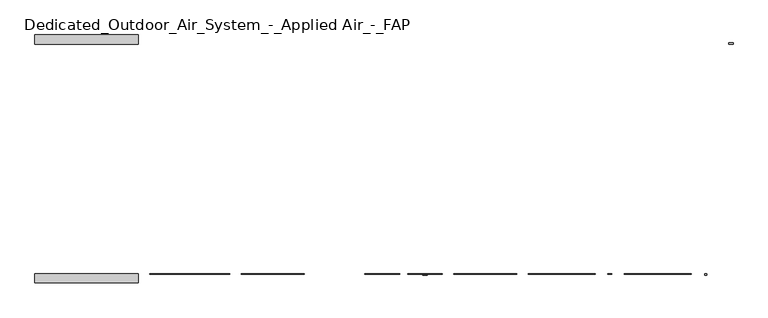
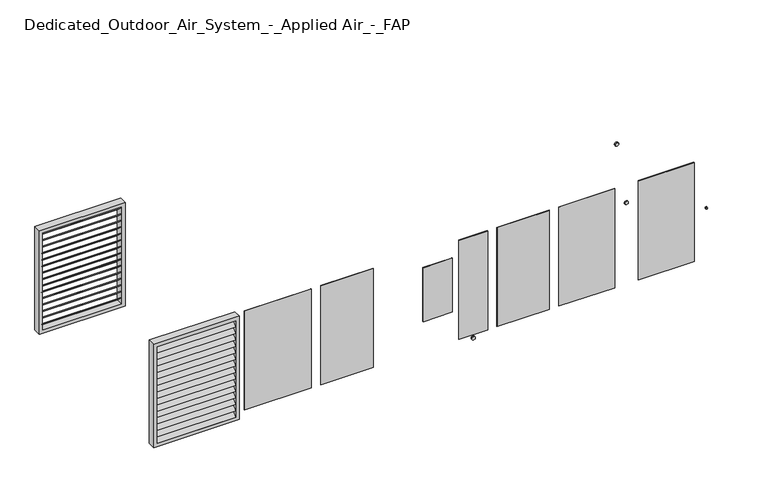
"""IFC4 building model written with IfcOpenShell, lengths in millimetres: proxy geometry, Dedicated_Outdoor_Air_System_-_Applied Air_-_FAP."""

from ifc_helpers import new_model, si_unit, point, frame, frame_2d, origin, place, context, project, spatial, polyline, circle_curve, trimmed, segment, composite_curve, outline, extrude, source, transform, mapped, element, save


def dedicated_outdoor_air_system_applied_air_fap_1c28814c(model_context):
    return source(origin(), model_context, "Body", "SweptSolid", [
        extrude(outline(polyline([(-1422.4, -1016.0), (-711.2, -1016.0), (-711.2, -1022.35), (-1422.4, -1022.35), (-1422.4, -1016.0)])), frame((0.0, 0.0, 76.2), z_axis=(0.0, 0.0, 1.0), x_axis=(1.0, 0.0, 0.0)), (0.0, 0.0, 1.0), 1117.6),
        extrude(outline(polyline([(-609.6, -1016.0), (-50.8, -1016.0), (-50.8, -1022.35), (-609.6, -1022.35), (-609.6, -1016.0)])), frame((0.0, 0.0, 76.2), z_axis=(0.0, 0.0, 1.0), x_axis=(1.0, 0.0, 0.0)), (0.0, 0.0, 1.0), 1117.6),
        extrude(outline(polyline([(1270.0, -1016.0), (1828.8, -1016.0), (1828.8, -1022.35), (1270.0, -1022.35), (1270.0, -1016.0)])), frame((0.0, 0.0, 76.2), z_axis=(0.0, 0.0, 1.0), x_axis=(1.0, 0.0, 0.0)), (0.0, 0.0, 1.0), 1117.6),
        extrude(outline(polyline([(863.6, -1016.0), (1168.4, -1016.0), (1168.4, -1022.35), (863.6, -1022.35), (863.6, -1016.0)])), frame((0.0, 0.0, 76.2), z_axis=(0.0, 0.0, 1.0), x_axis=(1.0, 0.0, 0.0)), (0.0, 0.0, 1.0), 1117.6),
        extrude(outline(polyline([(482.6, -1016.0), (793.75, -1016.0), (793.75, -1022.35), (482.6, -1022.35), (482.6, -1016.0)])), frame((0.0, 0.0, 406.4), z_axis=(0.0, 0.0, 1.0), x_axis=(1.0, 0.0, 0.0)), (0.0, 0.0, 1.0), 609.6),
        extrude(outline(polyline([(1930.4, -1016.0), (2525.4857143, -1016.0), (2525.4857143, -1022.35), (1930.4, -1022.35), (1930.4, -1016.0)])), frame((0.0, 0.0, 76.2), z_axis=(0.0, 0.0, 1.0), x_axis=(1.0, 0.0, 0.0)), (0.0, 0.0, 1.0), 1117.6),
        extrude(outline(polyline([(2779.4857143, -1016.0), (3374.5714286, -1016.0), (3374.5714286, -1022.35), (2779.4857143, -1022.35), (2779.4857143, -1016.0)])), frame((0.0, 0.0, 76.2), z_axis=(0.0, 0.0, 1.0), x_axis=(1.0, 0.0, 0.0)), (0.0, 0.0, 1.0), 1117.6),
        extrude(outline(composite_curve([segment(trimmed(circle_curve(frame_2d((990.6, 2652.4857143)), 19.05), [point((990.6, 2633.4357143))], [point((990.6, 2671.5357143))], False, "CARTESIAN"), True, "CONTINUOUS"), segment(trimmed(circle_curve(frame_2d((990.6, 2652.4857143)), 19.05), [point((990.6, 2671.5357143))], [point((990.6, 2633.4357143))], False, "CARTESIAN"), True, "CONTINUOUS")], self_intersect=False)), frame((0.0, -1022.35, 0.0), z_axis=(0.0, 1.0, 0.0), x_axis=(0.0, 0.0, 1.0)), (0.0, 0.0, 1.0), 6.35),
        extrude(outline(polyline([(1219.2, -1524.0), (1219.2, -2438.4), (50.8, -2438.4), (50.8, -1524.0), (1219.2, -1524.0)]), holes=[polyline([(1181.1, -1562.1), (88.9, -1562.1), (88.9, -2400.3), (1181.1, -2400.3), (1181.1, -1562.1)])]), frame((0.0, 1016.0, 0.0), z_axis=(0.0, 1.0, 0.0), x_axis=(0.0, 0.0, 1.0)), (0.0, 0.0, 1.0), 82.55),
        extrude(outline(polyline([(1219.2, -1524.0), (1219.2, -2438.4), (50.8, -2438.4), (50.8, -1524.0), (1219.2, -1524.0)]), holes=[polyline([(1181.1, -2400.3), (1181.1, -1562.1), (88.9, -1562.1), (88.9, -2400.3), (1181.1, -2400.3)])]), frame((0.0, -1098.55, 0.0), z_axis=(0.0, 1.0, 0.0), x_axis=(0.0, 0.0, 1.0)), (0.0, 0.0, 1.0), 82.55),
        extrude(outline(composite_curve([segment(trimmed(circle_curve(frame_2d((635.0, 3503.6125)), 9.525), [point((635.0, 3494.0875))], [point((635.0, 3513.1375))], False, "CARTESIAN"), True, "CONTINUOUS"), segment(trimmed(circle_curve(frame_2d((635.0, 3503.6125)), 9.525), [point((635.0, 3513.1375))], [point((635.0, 3494.0875))], False, "CARTESIAN"), True, "CONTINUOUS")], self_intersect=False)), frame((0.0, -1028.7, 0.0), z_axis=(0.0, 1.0, 0.0), x_axis=(0.0, 0.0, 1.0)), (0.0, 0.0, 1.0), 12.7),
        extrude(outline(polyline([(-1098.55, 1108.471875), (-1016.0, 1181.2984375), (-1016.0, 1172.8305341), (-1088.9515045, 1108.471875), (-1098.55, 1108.471875)])), frame((-2400.3, 0.0, 0.0), z_axis=(1.0, 0.0, 0.0), x_axis=(0.0, 1.0, 0.0)), (0.0, 0.0, 1.0), 838.2),
        extrude(outline(polyline([(-1098.55, 1035.6453125), (-1016.0, 1108.471875), (-1016.0, 1100.0039716), (-1088.9515045, 1035.6453125), (-1098.55, 1035.6453125)])), frame((-2400.3, 0.0, 0.0), z_axis=(1.0, 0.0, 0.0), x_axis=(0.0, 1.0, 0.0)), (0.0, 0.0, 1.0), 838.2),
        extrude(outline(polyline([(-1098.55, 962.81875), (-1016.0, 1035.6453125), (-1016.0, 1027.1774091), (-1088.9515045, 962.81875), (-1098.55, 962.81875)])), frame((-2400.3, 0.0, 0.0), z_axis=(1.0, 0.0, 0.0), x_axis=(0.0, 1.0, 0.0)), (0.0, 0.0, 1.0), 838.2),
        extrude(outline(polyline([(-1098.55, 889.9921875), (-1016.0, 962.81875), (-1016.0, 954.3508466), (-1088.9515045, 889.9921875), (-1098.55, 889.9921875)])), frame((-2400.3, 0.0, 0.0), z_axis=(1.0, 0.0, 0.0), x_axis=(0.0, 1.0, 0.0)), (0.0, 0.0, 1.0), 838.2),
        extrude(outline(polyline([(-1098.55, 817.165625), (-1016.0, 889.9921875), (-1016.0, 881.5242841), (-1088.9515045, 817.165625), (-1098.55, 817.165625)])), frame((-2400.3, 0.0, 0.0), z_axis=(1.0, 0.0, 0.0), x_axis=(0.0, 1.0, 0.0)), (0.0, 0.0, 1.0), 838.2),
        extrude(outline(polyline([(-1098.55, 744.3390625), (-1016.0, 817.165625), (-1016.0, 808.6977216), (-1088.9515045, 744.3390625), (-1098.55, 744.3390625)])), frame((-2400.3, 0.0, 0.0), z_axis=(1.0, 0.0, 0.0), x_axis=(0.0, 1.0, 0.0)), (0.0, 0.0, 1.0), 838.2),
        extrude(outline(polyline([(-1098.55, 671.5125), (-1016.0, 744.3390625), (-1016.0, 735.8711591), (-1088.9515045, 671.5125), (-1098.55, 671.5125)])), frame((-2400.3, 0.0, 0.0), z_axis=(1.0, 0.0, 0.0), x_axis=(0.0, 1.0, 0.0)), (0.0, 0.0, 1.0), 838.2),
        extrude(outline(polyline([(-1098.55, 598.6859375), (-1016.0, 671.5125), (-1016.0, 663.0445966), (-1088.9515045, 598.6859375), (-1098.55, 598.6859375)])), frame((-2400.3, 0.0, 0.0), z_axis=(1.0, 0.0, 0.0), x_axis=(0.0, 1.0, 0.0)), (0.0, 0.0, 1.0), 838.2),
        extrude(outline(polyline([(-1098.55, 525.859375), (-1016.0, 598.6859375), (-1016.0, 590.2180341), (-1088.9515045, 525.859375), (-1098.55, 525.859375)])), frame((-2400.3, 0.0, 0.0), z_axis=(1.0, 0.0, 0.0), x_axis=(0.0, 1.0, 0.0)), (0.0, 0.0, 1.0), 838.2),
        extrude(outline(polyline([(-1098.55, 453.0328125), (-1016.0, 525.859375), (-1016.0, 517.3914716), (-1088.9515045, 453.0328125), (-1098.55, 453.0328125)])), frame((-2400.3, 0.0, 0.0), z_axis=(1.0, 0.0, 0.0), x_axis=(0.0, 1.0, 0.0)), (0.0, 0.0, 1.0), 838.2),
        extrude(outline(polyline([(-1098.55, 380.20625), (-1016.0, 453.0328125), (-1016.0, 444.5649091), (-1088.9515045, 380.20625), (-1098.55, 380.20625)])), frame((-2400.3, 0.0, 0.0), z_axis=(1.0, 0.0, 0.0), x_axis=(0.0, 1.0, 0.0)), (0.0, 0.0, 1.0), 838.2),
        extrude(outline(polyline([(-1098.55, 307.3796875), (-1016.0, 380.20625), (-1016.0, 371.7383466), (-1088.9515045, 307.3796875), (-1098.55, 307.3796875)])), frame((-2400.3, 0.0, 0.0), z_axis=(1.0, 0.0, 0.0), x_axis=(0.0, 1.0, 0.0)), (0.0, 0.0, 1.0), 838.2),
        extrude(outline(polyline([(-1098.55, 234.553125), (-1016.0, 307.3796875), (-1016.0, 298.9117841), (-1088.9515045, 234.553125), (-1098.55, 234.553125)])), frame((-2400.3, 0.0, 0.0), z_axis=(1.0, 0.0, 0.0), x_axis=(0.0, 1.0, 0.0)), (0.0, 0.0, 1.0), 838.2),
        extrude(outline(polyline([(-1098.55, 161.7265625), (-1016.0, 234.553125), (-1016.0, 226.0852216), (-1088.9515045, 161.7265625), (-1098.55, 161.7265625)])), frame((-2400.3, 0.0, 0.0), z_axis=(1.0, 0.0, 0.0), x_axis=(0.0, 1.0, 0.0)), (0.0, 0.0, 1.0), 838.2),
        extrude(outline(polyline([(-1098.55, 88.9), (-1016.0, 161.7265625), (-1016.0, 153.2586591), (-1088.9515045, 88.9), (-1098.55, 88.9)])), frame((-2400.3, 0.0, 0.0), z_axis=(1.0, 0.0, 0.0), x_axis=(0.0, 1.0, 0.0)), (0.0, 0.0, 1.0), 838.2),
        extrude(outline(polyline([(1098.55, 1108.471875), (1088.9515045, 1108.471875), (1016.0, 1172.8305341), (1016.0, 1181.2984375), (1098.55, 1108.471875)])), frame((-2400.3, 0.0, 0.0), z_axis=(1.0, 0.0, 0.0), x_axis=(0.0, 1.0, 0.0)), (0.0, 0.0, 1.0), 838.2),
        extrude(outline(polyline([(1098.55, 1035.6453125), (1088.9515045, 1035.6453125), (1016.0, 1100.0039716), (1016.0, 1108.471875), (1098.55, 1035.6453125)])), frame((-2400.3, 0.0, 0.0), z_axis=(1.0, 0.0, 0.0), x_axis=(0.0, 1.0, 0.0)), (0.0, 0.0, 1.0), 838.2),
        extrude(outline(polyline([(1098.55, 962.81875), (1088.9515045, 962.81875), (1016.0, 1027.1774091), (1016.0, 1035.6453125), (1098.55, 962.81875)])), frame((-2400.3, 0.0, 0.0), z_axis=(1.0, 0.0, 0.0), x_axis=(0.0, 1.0, 0.0)), (0.0, 0.0, 1.0), 838.2),
        extrude(outline(polyline([(1098.55, 889.9921875), (1088.9515045, 889.9921875), (1016.0, 954.3508466), (1016.0, 962.81875), (1098.55, 889.9921875)])), frame((-2400.3, 0.0, 0.0), z_axis=(1.0, 0.0, 0.0), x_axis=(0.0, 1.0, 0.0)), (0.0, 0.0, 1.0), 838.2),
        extrude(outline(polyline([(1098.55, 817.165625), (1088.9515045, 817.165625), (1016.0, 881.5242841), (1016.0, 889.9921875), (1098.55, 817.165625)])), frame((-2400.3, 0.0, 0.0), z_axis=(1.0, 0.0, 0.0), x_axis=(0.0, 1.0, 0.0)), (0.0, 0.0, 1.0), 838.2),
        extrude(outline(polyline([(1098.55, 744.3390625), (1088.9515045, 744.3390625), (1016.0, 808.6977216), (1016.0, 817.165625), (1098.55, 744.3390625)])), frame((-2400.3, 0.0, 0.0), z_axis=(1.0, 0.0, 0.0), x_axis=(0.0, 1.0, 0.0)), (0.0, 0.0, 1.0), 838.2),
        extrude(outline(polyline([(1098.55, 671.5125), (1088.9515045, 671.5125), (1016.0, 735.8711591), (1016.0, 744.3390625), (1098.55, 671.5125)])), frame((-2400.3, 0.0, 0.0), z_axis=(1.0, 0.0, 0.0), x_axis=(0.0, 1.0, 0.0)), (0.0, 0.0, 1.0), 838.2),
        extrude(outline(polyline([(1098.55, 598.6859375), (1088.9515045, 598.6859375), (1016.0, 663.0445966), (1016.0, 671.5125), (1098.55, 598.6859375)])), frame((-2400.3, 0.0, 0.0), z_axis=(1.0, 0.0, 0.0), x_axis=(0.0, 1.0, 0.0)), (0.0, 0.0, 1.0), 838.2),
        extrude(outline(polyline([(1098.55, 525.859375), (1088.9515045, 525.859375), (1016.0, 590.2180341), (1016.0, 598.6859375), (1098.55, 525.859375)])), frame((-2400.3, 0.0, 0.0), z_axis=(1.0, 0.0, 0.0), x_axis=(0.0, 1.0, 0.0)), (0.0, 0.0, 1.0), 838.2),
        extrude(outline(polyline([(1098.55, 453.0328125), (1088.9515045, 453.0328125), (1016.0, 517.3914716), (1016.0, 525.859375), (1098.55, 453.0328125)])), frame((-2400.3, 0.0, 0.0), z_axis=(1.0, 0.0, 0.0), x_axis=(0.0, 1.0, 0.0)), (0.0, 0.0, 1.0), 838.2),
        extrude(outline(polyline([(1098.55, 380.20625), (1088.9515045, 380.20625), (1016.0, 444.5649091), (1016.0, 453.0328125), (1098.55, 380.20625)])), frame((-2400.3, 0.0, 0.0), z_axis=(1.0, 0.0, 0.0), x_axis=(0.0, 1.0, 0.0)), (0.0, 0.0, 1.0), 838.2),
        extrude(outline(polyline([(1098.55, 307.3796875), (1088.9515045, 307.3796875), (1016.0, 371.7383466), (1016.0, 380.20625), (1098.55, 307.3796875)])), frame((-2400.3, 0.0, 0.0), z_axis=(1.0, 0.0, 0.0), x_axis=(0.0, 1.0, 0.0)), (0.0, 0.0, 1.0), 838.2),
        extrude(outline(polyline([(1098.55, 234.553125), (1088.9515045, 234.553125), (1016.0, 298.9117841), (1016.0, 307.3796875), (1098.55, 234.553125)])), frame((-2400.3, 0.0, 0.0), z_axis=(1.0, 0.0, 0.0), x_axis=(0.0, 1.0, 0.0)), (0.0, 0.0, 1.0), 838.2),
        extrude(outline(polyline([(1098.55, 161.7265625), (1088.9515045, 161.7265625), (1016.0, 226.0852216), (1016.0, 234.553125), (1098.55, 161.7265625)])), frame((-2400.3, 0.0, 0.0), z_axis=(1.0, 0.0, 0.0), x_axis=(0.0, 1.0, 0.0)), (0.0, 0.0, 1.0), 838.2),
        extrude(outline(polyline([(1098.55, 88.9), (1088.9515045, 88.9), (1016.0, 153.2586591), (1016.0, 161.7265625), (1098.55, 88.9)])), frame((-2400.3, 0.0, 0.0), z_axis=(1.0, 0.0, 0.0), x_axis=(0.0, 1.0, 0.0)), (0.0, 0.0, 1.0), 838.2),
        extrude(outline(composite_curve([segment(trimmed(circle_curve(frame_2d((38.1, 3726.5921433)), 19.05), [point((38.1, 3707.5421433))], [point((38.1, 3745.6421433))], False, "CARTESIAN"), True, "CONTINUOUS"), segment(trimmed(circle_curve(frame_2d((38.1, 3726.5921433)), 19.05), [point((38.1, 3745.6421433))], [point((38.1, 3707.5421433))], False, "CARTESIAN"), True, "CONTINUOUS")], self_intersect=False)), frame((0.0, 1016.0, 0.0), z_axis=(0.0, 1.0, 0.0), x_axis=(0.0, 0.0, 1.0)), (0.0, 0.0, 1.0), 12.7),
        extrude(outline(composite_curve([segment(trimmed(circle_curve(frame_2d((38.1, 1016.0)), 19.05), [point((38.1, 996.95))], [point((38.1, 1035.05))], False, "CARTESIAN"), True, "CONTINUOUS"), segment(trimmed(circle_curve(frame_2d((38.1, 1016.0)), 19.05), [point((38.1, 1035.05))], [point((38.1, 996.95))], False, "CARTESIAN"), True, "CONTINUOUS")], self_intersect=False)), frame((0.0, -1028.7, 0.0), z_axis=(0.0, 1.0, 0.0), x_axis=(0.0, 0.0, 1.0)), (0.0, 0.0, 1.0), 12.7),
    ])


if __name__ == "__main__":
    model = new_model("IFC4")
    model_context = context("Model", 3, world=origin())
    ifc_project = project(units=[si_unit("LENGTHUNIT", "METRE", prefix="MILLI")], contexts=[model_context])
    site = spatial("IfcSite", under=ifc_project)
    building = spatial("IfcBuilding", under=site)
    placement = place(None, origin())
    dedicated_outdoor_air_system_applied_air_fap_shape = dedicated_outdoor_air_system_applied_air_fap_1c28814c(model_context)
    element("IfcBuildingElementProxy", 1, Name="Dedicated_Outdoor_Air_System_-_Applied Air_-_FAP", ObjectType="Dedicated_Outdoor_Air_System_-_Applied Air_-_FAP", at=placement, inside=building, context=model_context, shape_type="MappedRepresentation", body=[
        mapped(dedicated_outdoor_air_system_applied_air_fap_shape, transform((0.0, 0.0, 0.0), x_axis=(1.0, 0.0, 0.0), y_axis=(0.0, 1.0, 0.0), z_axis=(0.0, 0.0, 1.0))),
    ])
    save(model, "model.ifc")
